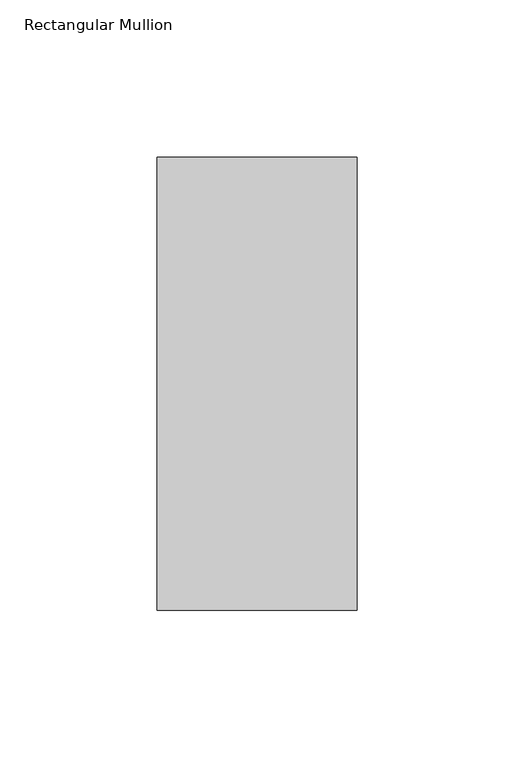
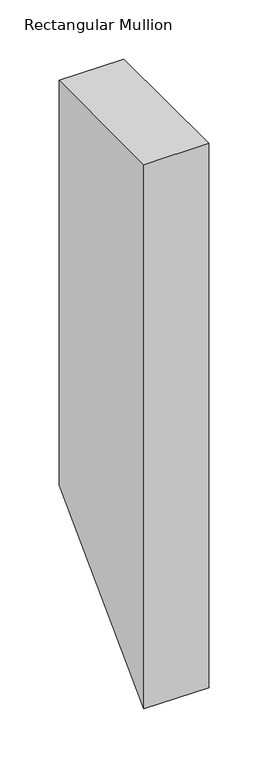
"""IFC4 building model written with IfcOpenShell, lengths in millimetres: member geometry, Rectangular Mullion."""

from ifc_helpers import new_model, si_unit, frame, origin, place, context, project, spatial, polyline, outline, extrude, source, transform, mapped, element, save


def rectangular_mullion_f0f82584(model_context):
    return source(origin(), model_context, "Body", "SweptSolid", [
        extrude(outline(polyline([(46.7447302, 0.0), (190.7881312, 0.0), (190.7881312, -418.8118687), (46.7447302, -562.8552698), (46.7447302, 0.0)])), frame((-63.4999996, 0.0, 0.0), z_axis=(1.0, 0.0, 0.0), x_axis=(0.0, 1.0, 0.0)), (0.0, 0.0, 1.0), 63.5),
    ])


if __name__ == "__main__":
    model = new_model("IFC4")
    model_context = context("Model", 3, world=origin())
    ifc_project = project(units=[si_unit("LENGTHUNIT", "METRE", prefix="MILLI")], contexts=[model_context])
    site = spatial("IfcSite", under=ifc_project)
    building = spatial("IfcBuilding", under=site)
    placement = place(None, origin())
    rectangular_mullion_shape = rectangular_mullion_f0f82584(model_context)
    element("IfcMember", 1, ObjectType="Rectangular Mullion", at=placement, inside=building, context=model_context, shape_type="MappedRepresentation", body=[
        mapped(rectangular_mullion_shape, transform((0.0, 0.0, 0.0), x_axis=(1.0, 0.0, 0.0), y_axis=(0.0, 1.0, 0.0), z_axis=(0.0, 0.0, 1.0))),
    ])
    save(model, "model.ifc")
